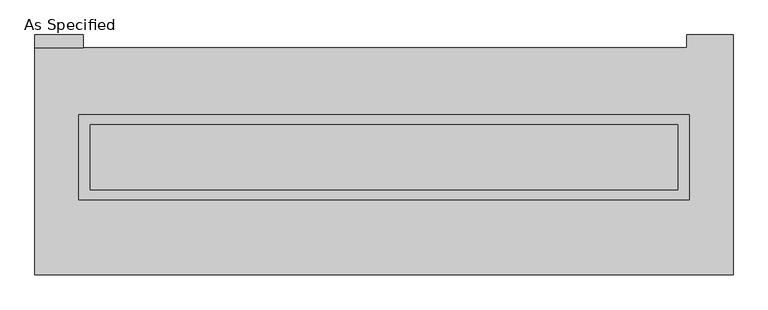
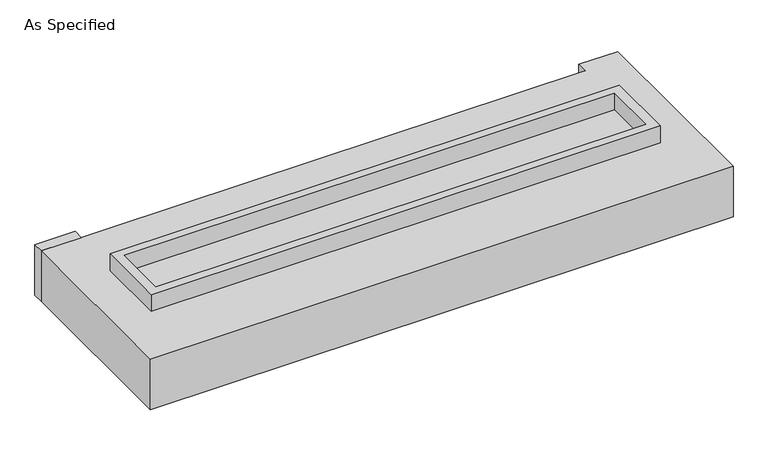
"""IFC4 building model written with IfcOpenShell, lengths in millimetres: proxy geometry, As Specified."""

from ifc_helpers import new_model, si_unit, frame, origin, place, context, project, spatial, polyline, outline, extrude, source, transform, mapped, element, save


def as_specified_15415e7f(model_context):
    return source(origin(), model_context, "Body", "SweptSolid", [
        extrude(outline(polyline([(2374.9, 361.95), (2374.9, -298.45), (-2374.9, -298.45), (-2374.9, 361.95), (2374.9, 361.95)]), holes=[polyline([(2286.0, 285.75), (-2286.0, 285.75), (-2286.0, -222.25), (2286.0, -222.25), (2286.0, 285.75)])]), frame((0.0, 0.0, -688.975), z_axis=(0.0, 0.0, 1.0), x_axis=(1.0, 0.0, 0.0)), (0.0, 0.0, 1.0), 165.1),
        extrude(outline(polyline([(2374.9, 361.95), (2374.9, -298.45), (-2374.9, -298.45), (-2374.9, 361.95), (2374.9, 361.95)]), holes=[polyline([(2286.0, 285.75), (-2286.0, 285.75), (-2286.0, -222.25), (2286.0, -222.25), (2286.0, 285.75)])]), frame((0.0, 0.0, -25.4), z_axis=(0.0, 0.0, 1.0), x_axis=(1.0, 0.0, 0.0)), (0.0, 0.0, 1.0), 165.1),
        extrude(outline(polyline([(-2343.15, 882.65), (-2717.8, 882.65), (-2717.8, 984.25), (-2343.15, 984.25), (-2343.15, 882.65)])), frame((0.0, 0.0, -523.875), z_axis=(0.0, 0.0, 1.0), x_axis=(1.0, 0.0, 0.0)), (0.0, 0.0, 1.0), 498.475),
        extrude(outline(polyline([(2286.0, 285.75), (2286.0, -222.25), (-2286.0, -222.25), (-2286.0, 285.75), (2286.0, 285.75)])), frame((0.0, 0.0, -523.875), z_axis=(0.0, 0.0, 1.0), x_axis=(1.0, 0.0, 0.0)), (0.0, 0.0, 1.0), 4.9609375),
        extrude(outline(polyline([(2286.0, 285.75), (2286.0, -222.25), (-2286.0, -222.25), (-2286.0, 285.75), (2286.0, 285.75)])), frame((0.0, 0.0, -30.3609375), z_axis=(0.0, 0.0, 1.0), x_axis=(1.0, 0.0, 0.0)), (0.0, 0.0, 1.0), 4.9609375),
        extrude(outline(polyline([(2717.8, -882.65), (-2717.8, -882.65), (-2717.8, 882.65), (2355.85, 882.65), (2355.85, 984.25), (2717.8, 984.25), (2717.8, -882.65)]), holes=[polyline([(-2374.9, 361.95), (-2374.9, -298.45), (2374.9, -298.45), (2374.9, 361.95), (-2374.9, 361.95)])]), frame((0.0, 0.0, -523.875), z_axis=(0.0, 0.0, 1.0), x_axis=(1.0, 0.0, 0.0)), (0.0, 0.0, 1.0), 498.475),
    ])


if __name__ == "__main__":
    model = new_model("IFC4")
    model_context = context("Model", 3, world=origin())
    ifc_project = project(units=[si_unit("LENGTHUNIT", "METRE", prefix="MILLI")], contexts=[model_context])
    site = spatial("IfcSite", under=ifc_project)
    building = spatial("IfcBuilding", under=site)
    placement = place(None, origin())
    as_specified_shape = as_specified_15415e7f(model_context)
    element("IfcBuildingElementProxy", 1, Name="As Specified", ObjectType="As Specified", at=placement, inside=building, context=model_context, shape_type="MappedRepresentation", body=[
        mapped(as_specified_shape, transform((0.0, 0.0, 0.0), x_axis=(1.0, 0.0, 0.0), y_axis=(0.0, 1.0, 0.0), z_axis=(0.0, 0.0, 1.0))),
    ])
    save(model, "model.ifc")
